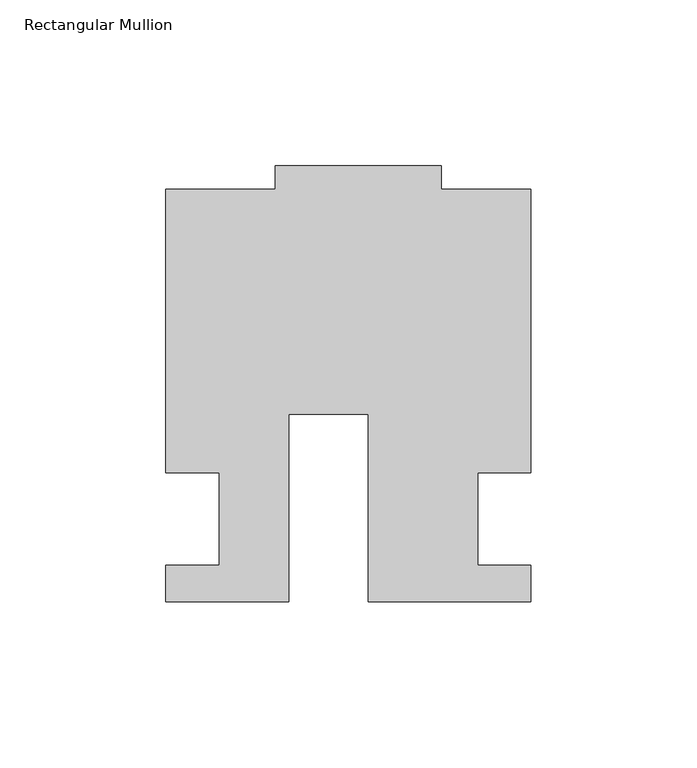
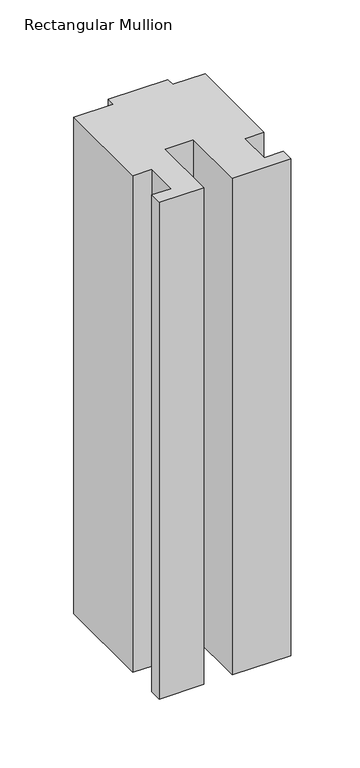
"""IFC4 building model written with IfcOpenShell, lengths in millimetres: member geometry, Rectangular Mullion."""

from ifc_helpers import new_model, si_unit, frame, origin, place, context, project, spatial, polyline, outline, extrude, source, transform, mapped, element, save


def rectangular_mullion_847dd59b(model_context):
    return source(origin(), model_context, "Body", "SweptSolid", [
        extrude(outline(polyline([(-24.0309529, -25.0), (-61.0409135, -25.0), (-61.0409135, -14.0), (-44.9971154, -14.0), (-44.9971154, 14.0), (-60.9971154, 14.0), (-60.9971154, 99.4999439), (-27.9971154, 99.4999439), (-27.9971154, 106.5), (22.0028846, 106.5), (22.0028846, 99.5), (49.0, 99.5), (49.0, 14.0), (32.9971154, 14.0), (32.9971154, -14.0), (49.0, -14.0), (49.0, -25.0), (0.0, -25.0), (0.0, 31.6008577), (-24.0309529, 31.6008577), (-24.0309529, -25.0)])), frame((0.0, 0.0, -440.1322637), z_axis=(0.0, 0.0, 1.0), x_axis=(1.0, 0.0, 0.0)), (0.0, 0.0, 1.0), 440.1322637),
    ])


if __name__ == "__main__":
    model = new_model("IFC4")
    model_context = context("Model", 3, world=origin())
    ifc_project = project(units=[si_unit("LENGTHUNIT", "METRE", prefix="MILLI")], contexts=[model_context])
    site = spatial("IfcSite", under=ifc_project)
    building = spatial("IfcBuilding", under=site)
    placement = place(None, origin())
    rectangular_mullion_shape = rectangular_mullion_847dd59b(model_context)
    element("IfcMember", 1, ObjectType="Rectangular Mullion", at=placement, inside=building, context=model_context, shape_type="MappedRepresentation", body=[
        mapped(rectangular_mullion_shape, transform((0.0, 0.0, 0.0), x_axis=(1.0, 0.0, 0.0), y_axis=(0.0, 1.0, 0.0), z_axis=(0.0, 0.0, 1.0))),
    ])
    save(model, "model.ifc")
